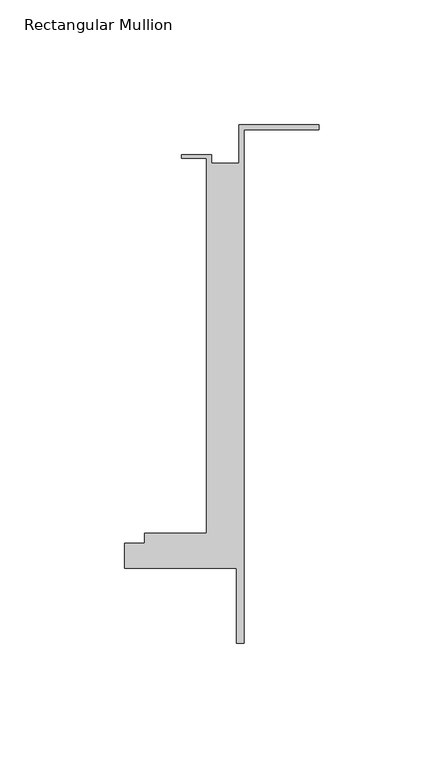
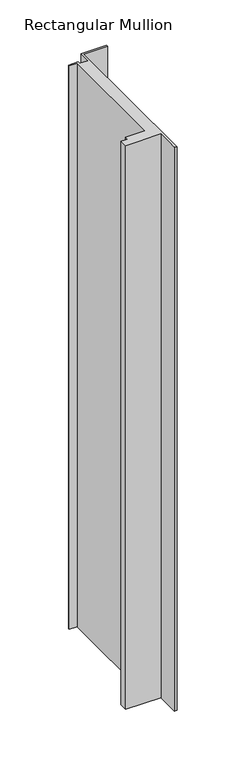
"""IFC4 building model written with IfcOpenShell, lengths in millimetres: member geometry, Rectangular Mullion."""

import ifcopenshell
import ifcopenshell.guid

model = None  # the IFC model being written
_history = None  # IfcOwnerHistory: only IFC2X3 demands one
_inside = {}  # id of a spatial element -> (the spatial element, [elements in it])
_under = {}  # id of a project, library or spatial element -> (it, [spatial elements below it])
_declared = {}  # id of a project -> (the project, [libraries it declares])
_typed = {}  # id of a type object -> (the type object, [elements of that type])
_made_of = {}  # id of a material, layer set ... -> (it, [elements and type objects made of it])


def new_model(schema):
    """Start an empty IFC model of exactly this schema.

    Asked for "IFC4X3", IfcOpenShell would pick the latest addendum, in which some entities
    have other attributes; the version numbers below select the first issue.
    IFC2X3 requires an IfcOwnerHistory on every rooted entity: one is made here for all.
    """
    global model, _history
    if schema == "IFC4X3":
        model = ifcopenshell.file(schema_version=(4, 3, 0, 0))
    else:
        model = ifcopenshell.file(schema=schema)
    _inside.clear()
    _under.clear()
    _declared.clear()
    _typed.clear()
    _made_of.clear()
    _history = None
    if model.schema == "IFC2X3":
        org = make("IfcOrganization", Name="unknown")
        user = make(
            "IfcPersonAndOrganization",
            ThePerson=make("IfcPerson", FamilyName="unknown"),
            TheOrganization=org,
        )
        app = make(
            "IfcApplication",
            ApplicationDeveloper=org,
            Version="unknown",
            ApplicationFullName="unknown",
            ApplicationIdentifier="unknown",
        )
        _history = make(
            "IfcOwnerHistory",
            OwningUser=user,
            OwningApplication=app,
            ChangeAction="ADDED",
            CreationDate=0,
        )
    return model


def make(cls, **values):
    """One entity of the class cls with the attributes given. An attribute that is None is left unset."""
    return model.create_entity(
        cls, **{name: value for name, value in values.items() if value is not None}
    )


def rooted(cls, **values):
    """An entity with a GlobalId (a new one), such as an element, a storey or a relation."""
    return make(cls, GlobalId=ifcopenshell.guid.new(), OwnerHistory=_history, **values)


def si_unit(unit_type, name, prefix=None):
    """IfcSIUnit, for example si_unit("LENGTHUNIT", "METRE", prefix="MILLI")."""
    return make("IfcSIUnit", UnitType=unit_type, Prefix=prefix, Name=name)


def assignment(units):
    """IfcUnitAssignment: the units of a project."""
    return None if units is None else make("IfcUnitAssignment", Units=units)


def point(xyz):
    """IfcCartesianPoint."""
    return None if xyz is None else make("IfcCartesianPoint", Coordinates=xyz)


def direction(xyz):
    """IfcDirection."""
    return None if xyz is None else make("IfcDirection", DirectionRatios=xyz)


def frame(location, z_axis=None, x_axis=None):
    """IfcAxis2Placement3D, a coordinate frame: its origin and axes. An axis left out is left unset."""
    return make(
        "IfcAxis2Placement3D",
        Location=point(location),
        Axis=direction(z_axis),
        RefDirection=direction(x_axis),
    )


def origin():
    """The frame at (0, 0, 0) with its axes left unset."""
    return frame((0.0, 0.0, 0.0))


def place(relative_to, where):
    """IfcLocalPlacement: puts the frame where relative to a parent placement (None: the world)."""
    return make(
        "IfcLocalPlacement", PlacementRelTo=relative_to, RelativePlacement=where
    )


def context(
    kind, dimensions, precision=None, world=None, true_north=None, identifier=None
):
    """IfcGeometricRepresentationContext, for example the 3D "Model" context."""
    return make(
        "IfcGeometricRepresentationContext",
        ContextIdentifier=identifier,
        ContextType=kind,
        CoordinateSpaceDimension=dimensions,
        Precision=precision,
        WorldCoordinateSystem=world,
        TrueNorth=true_north,
    )


def project(units=None, contexts=None):
    """IfcProject with its units and contexts."""
    return rooted(
        "IfcProject",
        Name="project",
        RepresentationContexts=contexts,
        UnitsInContext=assignment(units),
    )


def spatial(cls, under=None, at=None, **own):
    """A site, building, storey or space (cls), placed at a placement, below another one or the project."""
    s = rooted(cls, ObjectPlacement=at, **own)
    if under is not None:
        _under.setdefault(under.id(), (under, []))[1].append(s)
    return s


def polyline(points):
    """IfcPolyline through the points."""
    return make("IfcPolyline", Points=[point(p) for p in points])


def outline(outer, holes=None, kind="AREA"):
    """IfcArbitraryClosedProfileDef: a profile drawn as a closed curve; with holes, ...WithVoids."""
    if holes is None:
        return make("IfcArbitraryClosedProfileDef", ProfileType=kind, OuterCurve=outer)
    return make(
        "IfcArbitraryProfileDefWithVoids",
        ProfileType=kind,
        OuterCurve=outer,
        InnerCurves=holes,
    )


def extrude(swept, where, along, depth):
    """IfcExtrudedAreaSolid: the profile swept, set in the frame where, extruded along a direction by depth."""
    return make(
        "IfcExtrudedAreaSolid",
        SweptArea=swept,
        Position=where,
        ExtrudedDirection=direction(along),
        Depth=depth,
    )


def shape(context_of_items, identifier, shape_type, items):
    """IfcShapeRepresentation: the items that make up one representation, for example the "Body"."""
    return make(
        "IfcShapeRepresentation",
        ContextOfItems=context_of_items,
        RepresentationIdentifier=identifier,
        RepresentationType=shape_type,
        Items=items,
    )


def source(mapping_origin, context_of_items, identifier, shape_type, items):
    """IfcRepresentationMap: a shape defined once, which mapped items show again and again."""
    return make(
        "IfcRepresentationMap",
        MappingOrigin=mapping_origin,
        MappedRepresentation=shape(context_of_items, identifier, shape_type, items),
    )


def transform(
    local_origin,
    x_axis=None,
    y_axis=None,
    z_axis=None,
    scale=None,
    scale2=None,
    scale3=None,
    uniform=True,
):
    """IfcCartesianTransformationOperator3D, or its non-uniform kind. x_axis, y_axis, z_axis: its Axis1, 2, 3."""
    if uniform:
        return make(
            "IfcCartesianTransformationOperator3D",
            Axis1=direction(x_axis),
            Axis2=direction(y_axis),
            LocalOrigin=point(local_origin),
            Scale=scale,
            Axis3=direction(z_axis),
        )
    return make(
        "IfcCartesianTransformationOperator3DnonUniform",
        Axis1=direction(x_axis),
        Axis2=direction(y_axis),
        LocalOrigin=point(local_origin),
        Scale=scale,
        Axis3=direction(z_axis),
        Scale2=scale2,
        Scale3=scale3,
    )


def mapped(mapping_source, mapping_target):
    """IfcMappedItem: shows the shape of a source again, moved by a transform."""
    return make(
        "IfcMappedItem", MappingSource=mapping_source, MappingTarget=mapping_target
    )


def made_of(thing, what):
    """Note that an element or type object is made of a material, layer set ...; save() writes the relation."""
    if what is not None:
        _made_of.setdefault(what.id(), (what, []))[1].append(thing)
    return thing


def element(
    cls,
    number,
    at=None,
    inside=None,
    cuts=None,
    type_object=None,
    material=None,
    context=None,
    identifier="Body",
    shape_type=None,
    held_by="IfcProductDefinitionShape",
    body=None,
    shapes=None,
    **own,
):
    """One element of the class cls, such as IfcWall. Its Tag is "e" and its number.

    at: its placement. inside: the storey or other place that contains it. cuts: it is an
    opening in that element (IfcRelVoidsElement). A single representation is given by context,
    identifier, shape_type and body (its items); several are given by shapes. held_by: the class
    of the entity that holds the representations. save() writes the other relations.
    """
    e = rooted(cls, Tag="e%d" % number, ObjectPlacement=at, **own)
    if body is not None:
        shapes = [shape(context, identifier, shape_type, body)]
    if shapes is not None:
        e.Representation = make(held_by, Representations=shapes)
    if inside is not None:
        _inside.setdefault(inside.id(), (inside, []))[1].append(e)
    if cuts is not None:
        rooted(
            "IfcRelVoidsElement", RelatingBuildingElement=cuts, RelatedOpeningElement=e
        )
    if type_object is not None:
        _typed.setdefault(type_object.id(), (type_object, []))[1].append(e)
    return made_of(e, material)


def aggregate(whole, parts):
    """IfcRelAggregates: a whole, such as a stair, and the parts it consists of."""
    return rooted("IfcRelAggregates", RelatingObject=whole, RelatedObjects=parts)


def save(model, path):
    """Write the relations noted so far, then the file.

    IfcRelAggregates (storeys below a building ...), IfcRelContainedInSpatialStructure (elements
    in a storey), IfcRelDefinesByType, IfcRelAssociatesMaterial and IfcRelDeclares: one each for
    every whole, place, type object, material and project.
    """
    for whole, parts in _under.values():
        aggregate(whole, parts)
    for where, things in _inside.values():
        rooted(
            "IfcRelContainedInSpatialStructure",
            RelatedElements=things,
            RelatingStructure=where,
        )
    for kind, things in _typed.values():
        rooted("IfcRelDefinesByType", RelatedObjects=things, RelatingType=kind)
    for what, things in _made_of.values():
        rooted("IfcRelAssociatesMaterial", RelatedObjects=things, RelatingMaterial=what)
    for by, libraries in _declared.values():
        rooted("IfcRelDeclares", RelatingContext=by, RelatedDefinitions=libraries)
    model.write(path)


def rectangular_mullion_2066f272(model_context):
    return source(origin(), model_context, "Body", "SweptSolid", [
        extrude(outline(polyline([(-32.1465839, 41.25), (0.0, 41.25), (0.0, 39.25), (-30.1465839, 39.25), (-30.1465839, -166.75), (-33.1466122, -166.75), (-33.1466122, -136.75), (-78.1466122, -136.75), (-78.1466122, -126.75), (-70.1466122, -126.75), (-70.1466122, -122.75), (-45.1465839, -122.75), (-45.1465839, 27.75), (-55.1465839, 27.75), (-55.1465839, 29.25), (-43.1465839, 29.25), (-43.1465839, 25.75), (-32.1465839, 25.75), (-32.1465839, 41.25)])), frame((0.0, 0.0, -759.4490472), z_axis=(0.0, 0.0, 1.0), x_axis=(1.0, 0.0, 0.0)), (0.0, 0.0, 1.0), 759.4490472),
    ])


if __name__ == "__main__":
    model = new_model("IFC4")
    model_context = context("Model", 3, world=origin())
    ifc_project = project(units=[si_unit("LENGTHUNIT", "METRE", prefix="MILLI")], contexts=[model_context])
    site = spatial("IfcSite", under=ifc_project)
    building = spatial("IfcBuilding", under=site)
    placement = place(None, origin())
    rectangular_mullion_shape = rectangular_mullion_2066f272(model_context)
    element("IfcMember", 1, ObjectType="Rectangular Mullion", at=placement, inside=building, context=model_context, shape_type="MappedRepresentation", body=[
        mapped(rectangular_mullion_shape, transform((0.0, 0.0, 0.0), x_axis=(1.0, 0.0, 0.0), y_axis=(0.0, 1.0, 0.0), z_axis=(0.0, 0.0, 1.0))),
    ])
    save(model, "model.ifc")
